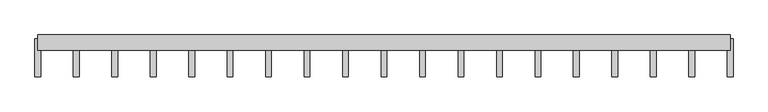
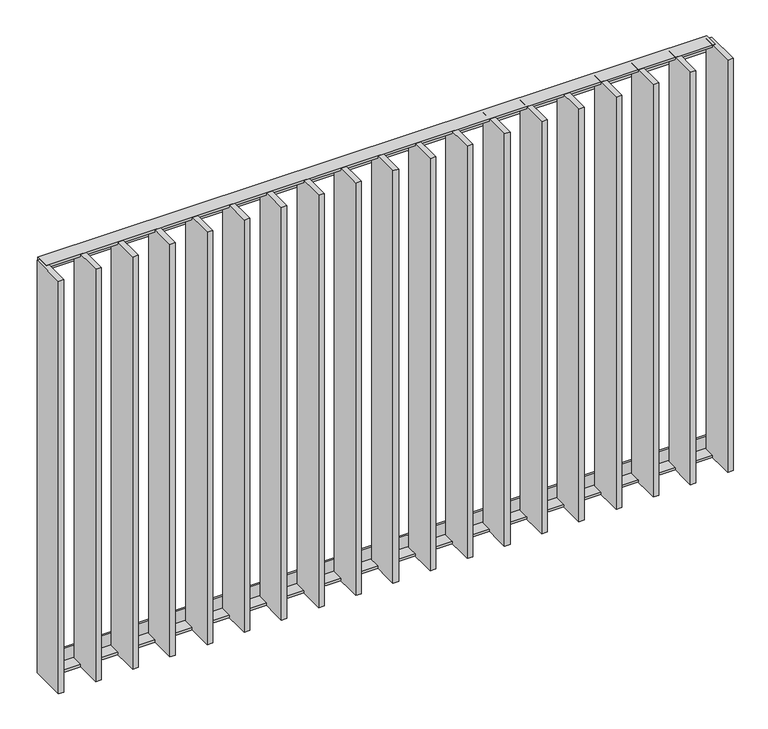
"""IFC4 building model written with IfcOpenShell, lengths in millimetres: railing geometry."""

from ifc_helpers import new_model, si_unit, frame, origin, place, context, project, spatial, polyline, outline, extrude, source, transform, mapped, element, save


def railing_102a6a1b(model_context):
    return source(origin(), model_context, "Body", "SweptSolid", [
        extrude(outline(polyline([(-14.0, 6.0), (20.0, 6.0), (20.0, 0.0), (-20.0, 0.0), (-20.0, 40.0), (-14.0, 40.0), (-14.0, 6.0)])), frame((19255.9325551, 6059.4012767, 8000.0), z_axis=(1.0, -2.5510195797315918e-12, 0.0), x_axis=(-2.5510195797315918e-12, -1.0, 0.0)), (0.0, 0.0, 1.0), 1810.0),
        extrude(outline(polyline([(-14.0, -6.0), (-14.0, -40.0), (-20.0, -40.0), (-20.0, 0.0), (20.0, 0.0), (20.0, -6.0), (-14.0, -6.0)])), frame((19255.9325551, 6059.4012767, 6820.0), z_axis=(1.0, -2.5510195797315918e-12, 0.0), x_axis=(-2.5510195797315918e-12, -1.0, 0.0)), (0.0, 0.0, 1.0), 1810.0),
        extrude(outline(polyline([(19363.9881106, 6069.4012767), (19363.9881106, 5969.4012767), (19348.9881106, 5969.4012767), (19348.9881106, 6069.4012767), (19363.9881106, 6069.4012767)])), frame((0.0, 0.0, 6819.9), z_axis=(0.0, 0.0, 1.0), x_axis=(1.0, 0.0, 0.0)), (0.0, 0.0, 1.0), 1180.2),
        extrude(outline(polyline([(19464.5436662, 6069.4012767), (19464.5436662, 5969.4012767), (19449.5436662, 5969.4012767), (19449.5436662, 6069.4012767), (19464.5436662, 6069.4012767)])), frame((0.0, 0.0, 6819.9), z_axis=(0.0, 0.0, 1.0), x_axis=(1.0, 0.0, 0.0)), (0.0, 0.0, 1.0), 1180.2),
        extrude(outline(polyline([(19565.0992217, 6069.4012767), (19565.0992217, 5969.4012767), (19550.0992217, 5969.4012767), (19550.0992217, 6069.4012767), (19565.0992217, 6069.4012767)])), frame((0.0, 0.0, 6819.9), z_axis=(0.0, 0.0, 1.0), x_axis=(1.0, 0.0, 0.0)), (0.0, 0.0, 1.0), 1180.2),
        extrude(outline(polyline([(19665.6547773, 6069.4012767), (19665.6547773, 5969.4012767), (19650.6547773, 5969.4012767), (19650.6547773, 6069.4012767), (19665.6547773, 6069.4012767)])), frame((0.0, 0.0, 6819.9), z_axis=(0.0, 0.0, 1.0), x_axis=(1.0, 0.0, 0.0)), (0.0, 0.0, 1.0), 1180.2),
        extrude(outline(polyline([(19766.2103329, 6069.4012767), (19766.2103329, 5969.4012767), (19751.2103329, 5969.4012767), (19751.2103329, 6069.4012767), (19766.2103329, 6069.4012767)])), frame((0.0, 0.0, 6819.9), z_axis=(0.0, 0.0, 1.0), x_axis=(1.0, 0.0, 0.0)), (0.0, 0.0, 1.0), 1180.2),
        extrude(outline(polyline([(19866.7658884, 6069.4012767), (19866.7658884, 5969.4012767), (19851.7658884, 5969.4012767), (19851.7658884, 6069.4012767), (19866.7658884, 6069.4012767)])), frame((0.0, 0.0, 6819.9), z_axis=(0.0, 0.0, 1.0), x_axis=(1.0, 0.0, 0.0)), (0.0, 0.0, 1.0), 1180.2),
        extrude(outline(polyline([(19967.321444, 6069.4012767), (19967.321444, 5969.4012767), (19952.321444, 5969.4012767), (19952.321444, 6069.4012767), (19967.321444, 6069.4012767)])), frame((0.0, 0.0, 6819.9), z_axis=(0.0, 0.0, 1.0), x_axis=(1.0, 0.0, 0.0)), (0.0, 0.0, 1.0), 1180.2),
        extrude(outline(polyline([(20067.8769995, 6069.4012767), (20067.8769995, 5969.4012767), (20052.8769995, 5969.4012767), (20052.8769995, 6069.4012767), (20067.8769995, 6069.4012767)])), frame((0.0, 0.0, 6819.9), z_axis=(0.0, 0.0, 1.0), x_axis=(1.0, 0.0, 0.0)), (0.0, 0.0, 1.0), 1180.2),
        extrude(outline(polyline([(20168.4325551, 6069.4012767), (20168.4325551, 5969.4012767), (20153.4325551, 5969.4012767), (20153.4325551, 6069.4012767), (20168.4325551, 6069.4012767)])), frame((0.0, 0.0, 6819.9), z_axis=(0.0, 0.0, 1.0), x_axis=(1.0, 0.0, 0.0)), (0.0, 0.0, 1.0), 1180.2),
        extrude(outline(polyline([(20268.9881106, 6069.4012767), (20268.9881106, 5969.4012767), (20253.9881106, 5969.4012767), (20253.9881106, 6069.4012767), (20268.9881106, 6069.4012767)])), frame((0.0, 0.0, 6819.9), z_axis=(0.0, 0.0, 1.0), x_axis=(1.0, 0.0, 0.0)), (0.0, 0.0, 1.0), 1180.2),
        extrude(outline(polyline([(20369.5436662, 6069.4012767), (20369.5436662, 5969.4012767), (20354.5436662, 5969.4012767), (20354.5436662, 6069.4012767), (20369.5436662, 6069.4012767)])), frame((0.0, 0.0, 6819.9), z_axis=(0.0, 0.0, 1.0), x_axis=(1.0, 0.0, 0.0)), (0.0, 0.0, 1.0), 1180.2),
        extrude(outline(polyline([(20470.0992217, 6069.4012767), (20470.0992217, 5969.4012767), (20455.0992217, 5969.4012767), (20455.0992217, 6069.4012767), (20470.0992217, 6069.4012767)])), frame((0.0, 0.0, 6819.9), z_axis=(0.0, 0.0, 1.0), x_axis=(1.0, 0.0, 0.0)), (0.0, 0.0, 1.0), 1180.2),
        extrude(outline(polyline([(20570.6547773, 6069.4012767), (20570.6547773, 5969.4012767), (20555.6547773, 5969.4012767), (20555.6547773, 6069.4012767), (20570.6547773, 6069.4012767)])), frame((0.0, 0.0, 6819.9), z_axis=(0.0, 0.0, 1.0), x_axis=(1.0, 0.0, 0.0)), (0.0, 0.0, 1.0), 1180.2),
        extrude(outline(polyline([(20671.2103329, 6069.4012767), (20671.2103329, 5969.4012767), (20656.2103329, 5969.4012767), (20656.2103329, 6069.4012767), (20671.2103329, 6069.4012767)])), frame((0.0, 0.0, 6819.9), z_axis=(0.0, 0.0, 1.0), x_axis=(1.0, 0.0, 0.0)), (0.0, 0.0, 1.0), 1180.2),
        extrude(outline(polyline([(20771.7658884, 6069.4012767), (20771.7658884, 5969.4012767), (20756.7658884, 5969.4012767), (20756.7658884, 6069.4012767), (20771.7658884, 6069.4012767)])), frame((0.0, 0.0, 6819.9), z_axis=(0.0, 0.0, 1.0), x_axis=(1.0, 0.0, 0.0)), (0.0, 0.0, 1.0), 1180.2),
        extrude(outline(polyline([(20872.321444, 6069.4012767), (20872.321444, 5969.4012767), (20857.321444, 5969.4012767), (20857.321444, 6069.4012767), (20872.321444, 6069.4012767)])), frame((0.0, 0.0, 6819.9), z_axis=(0.0, 0.0, 1.0), x_axis=(1.0, 0.0, 0.0)), (0.0, 0.0, 1.0), 1180.2),
        extrude(outline(polyline([(20972.8769995, 6069.4012767), (20972.8769995, 5969.4012767), (20957.8769995, 5969.4012767), (20957.8769995, 6069.4012767), (20972.8769995, 6069.4012767)])), frame((0.0, 0.0, 6819.9), z_axis=(0.0, 0.0, 1.0), x_axis=(1.0, 0.0, 0.0)), (0.0, 0.0, 1.0), 1180.2),
        extrude(outline(polyline([(19263.4325551, 6069.4012767), (19263.4325551, 5969.4012767), (19248.4325551, 5969.4012767), (19248.4325551, 6069.4012767), (19263.4325551, 6069.4012767)])), frame((0.0, 0.0, 6819.9), z_axis=(0.0, 0.0, 1.0), x_axis=(1.0, 0.0, 0.0)), (0.0, 0.0, 1.0), 1180.2),
        extrude(outline(polyline([(21073.4325551, 6069.4012767), (21073.4325551, 5969.4012767), (21058.4325551, 5969.4012767), (21058.4325551, 6069.4012767), (21073.4325551, 6069.4012767)])), frame((0.0, 0.0, 6819.9), z_axis=(0.0, 0.0, 1.0), x_axis=(1.0, 0.0, 0.0)), (0.0, 0.0, 1.0), 1180.2),
    ])


if __name__ == "__main__":
    model = new_model("IFC4")
    model_context = context("Model", 3, world=origin())
    ifc_project = project(units=[si_unit("LENGTHUNIT", "METRE", prefix="MILLI")], contexts=[model_context])
    site = spatial("IfcSite", under=ifc_project)
    building = spatial("IfcBuilding", under=site)
    placement = place(None, origin())
    railing_shape = railing_102a6a1b(model_context)
    element("IfcRailing", 1, at=placement, inside=building, context=model_context, shape_type="MappedRepresentation", body=[
        mapped(railing_shape, transform((0.0, 0.0, 0.0), x_axis=(1.0, 0.0, 0.0), y_axis=(0.0, 1.0, 0.0), z_axis=(0.0, 0.0, 1.0))),
    ])
    save(model, "model.ifc")
